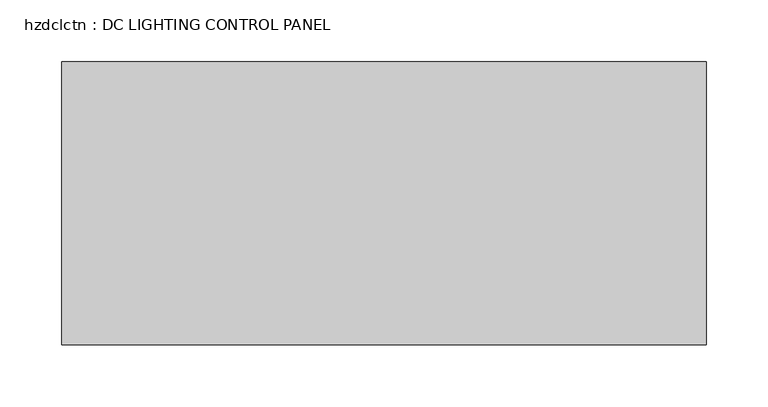
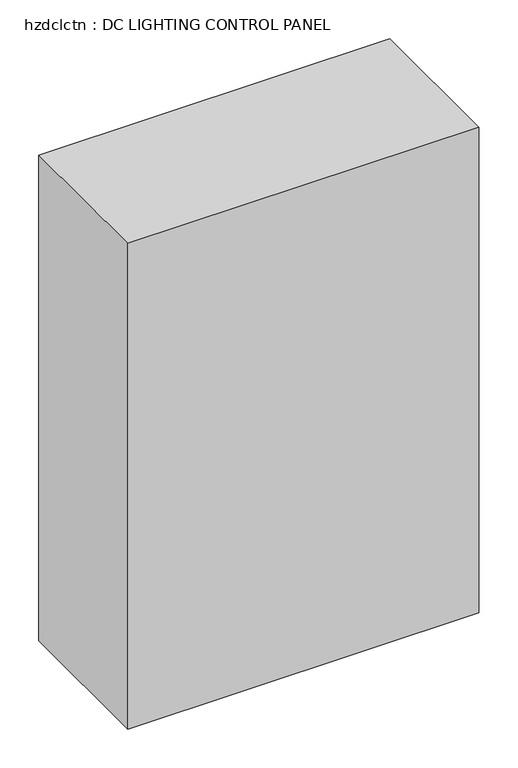
"""IFC4 building model written with IfcOpenShell, lengths in millimetres: proxy geometry, hzdclctn : DC LIGHTING CONTROL PANEL."""

from ifc_helpers import new_model, si_unit, frame, origin, place, context, project, spatial, polyline, outline, extrude, source, transform, mapped, element, save


def hzdclctn_dc_lighting_control_panel_bcb41bf9(model_context):
    return source(origin(), model_context, "Body", "SweptSolid", [
        extrude(outline(polyline([(-74.5036378, -626.0249791), (446.1963622, -626.0249791), (446.1963622, -854.6249791), (-74.5036378, -854.6249791), (-74.5036378, -626.0249791)])), frame((0.0, 0.0, 1124.1631467), z_axis=(0.0, 0.0, 1.0), x_axis=(1.0, 0.0, 0.0)), (0.0, 0.0, 1.0), 762.0),
    ])


if __name__ == "__main__":
    model = new_model("IFC4")
    model_context = context("Model", 3, world=origin())
    ifc_project = project(units=[si_unit("LENGTHUNIT", "METRE", prefix="MILLI")], contexts=[model_context])
    site = spatial("IfcSite", under=ifc_project)
    building = spatial("IfcBuilding", under=site)
    placement = place(None, origin())
    hzdclctn_dc_lighting_control_panel_shape = hzdclctn_dc_lighting_control_panel_bcb41bf9(model_context)
    element("IfcBuildingElementProxy", 1, Name="hzdclctn : DC LIGHTING CONTROL PANEL", ObjectType="hzdclctn : DC LIGHTING CONTROL PANEL", at=placement, inside=building, context=model_context, shape_type="MappedRepresentation", body=[
        mapped(hzdclctn_dc_lighting_control_panel_shape, transform((0.0, 0.0, 0.0), x_axis=(1.0, 0.0, 0.0), y_axis=(0.0, 1.0, 0.0), z_axis=(0.0, 0.0, 1.0))),
    ])
    save(model, "model.ifc")
